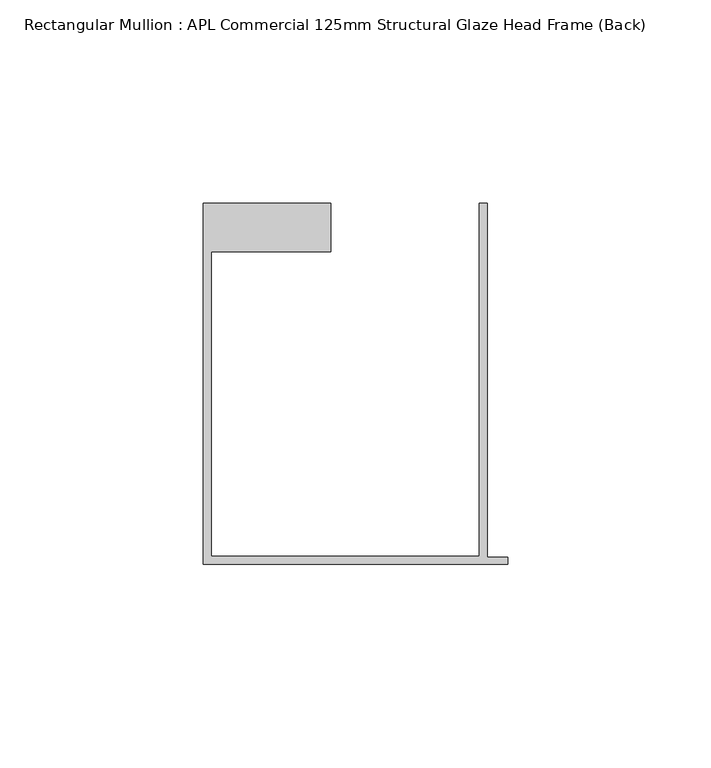
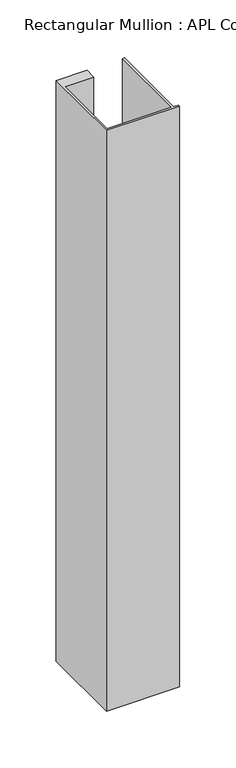
"""IFC4 building model written with IfcOpenShell, lengths in millimetres: member geometry, Rectangular Mullion : APL Commercial 125mm Structural Glaze Head Frame (Back)."""

from ifc_helpers import new_model, si_unit, frame, origin, place, context, project, spatial, polyline, outline, extrude, source, transform, mapped, element, save


def rectangular_mullion_apl_commercial_125mm_structural_glaze_656b84d4(model_context):
    return source(origin(), model_context, "Body", "SweptSolid", [
        extrude(outline(polyline([(-75.0, -103.9993063), (-75.0, -14.9998342), (-43.5000151, -14.9998342), (-43.5000151, -26.9997514), (-73.0, -26.9997514), (-73.0, -101.9993063), (-7.0, -101.9993063), (-7.0, -14.9998342), (-5.0, -14.9998342), (-5.0, -102.1993063), (0.0, -102.1993063), (0.0, -103.9993063), (-75.0, -103.9993063)])), frame((0.0, 0.0, -629.5138547), z_axis=(0.0, 0.0, 1.0), x_axis=(1.0, 0.0, 0.0)), (0.0, 0.0, 1.0), 629.5138547),
    ])


if __name__ == "__main__":
    model = new_model("IFC4")
    model_context = context("Model", 3, world=origin())
    ifc_project = project(units=[si_unit("LENGTHUNIT", "METRE", prefix="MILLI")], contexts=[model_context])
    site = spatial("IfcSite", under=ifc_project)
    building = spatial("IfcBuilding", under=site)
    placement = place(None, origin())
    rectangular_mullion_apl_commercial_125mm_structural_glaze_shape = rectangular_mullion_apl_commercial_125mm_structural_glaze_656b84d4(model_context)
    element("IfcMember", 1, ObjectType="Rectangular Mullion : APL Commercial 125mm Structural Glaze Head Frame (Back)", at=placement, inside=building, context=model_context, shape_type="MappedRepresentation", body=[
        mapped(rectangular_mullion_apl_commercial_125mm_structural_glaze_shape, transform((0.0, 0.0, 0.0), x_axis=(1.0, 0.0, 0.0), y_axis=(0.0, 1.0, 0.0), z_axis=(0.0, 0.0, 1.0))),
    ])
    save(model, "model.ifc")
